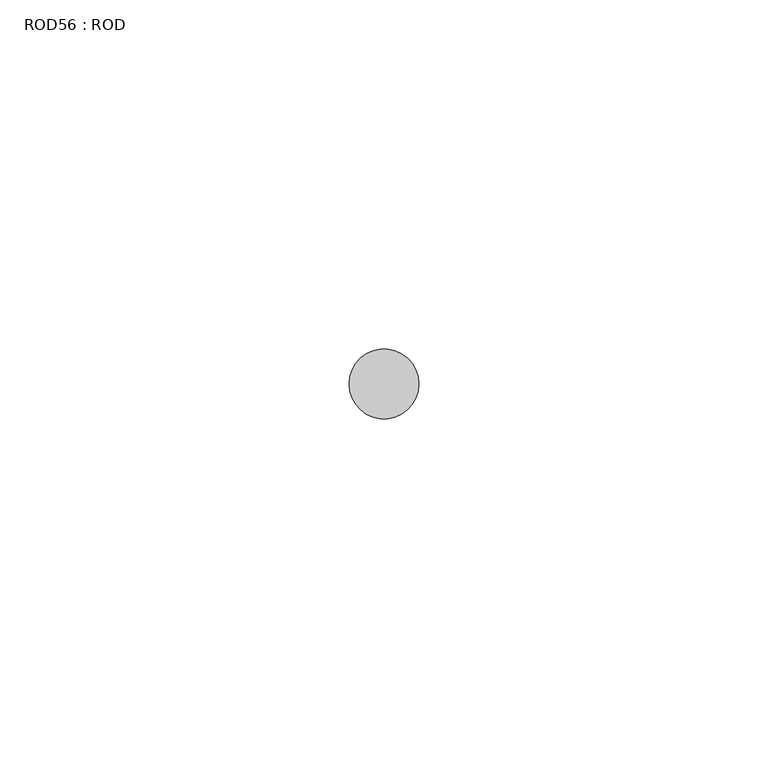
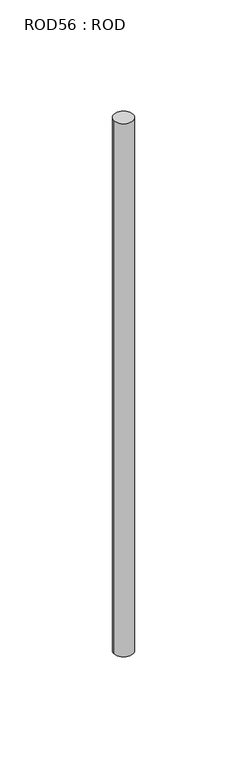
"""IFC4 building model written with IfcOpenShell, lengths in millimetres: proxy geometry, ROD56 : ROD."""

import ifcopenshell
import ifcopenshell.guid

model = None  # the IFC model being written
_history = None  # IfcOwnerHistory: only IFC2X3 demands one
_inside = {}  # id of a spatial element -> (the spatial element, [elements in it])
_under = {}  # id of a project, library or spatial element -> (it, [spatial elements below it])
_declared = {}  # id of a project -> (the project, [libraries it declares])
_typed = {}  # id of a type object -> (the type object, [elements of that type])
_made_of = {}  # id of a material, layer set ... -> (it, [elements and type objects made of it])


def new_model(schema):
    """Start an empty IFC model of exactly this schema.

    Asked for "IFC4X3", IfcOpenShell would pick the latest addendum, in which some entities
    have other attributes; the version numbers below select the first issue.
    IFC2X3 requires an IfcOwnerHistory on every rooted entity: one is made here for all.
    """
    global model, _history
    if schema == "IFC4X3":
        model = ifcopenshell.file(schema_version=(4, 3, 0, 0))
    else:
        model = ifcopenshell.file(schema=schema)
    _inside.clear()
    _under.clear()
    _declared.clear()
    _typed.clear()
    _made_of.clear()
    _history = None
    if model.schema == "IFC2X3":
        org = make("IfcOrganization", Name="unknown")
        user = make(
            "IfcPersonAndOrganization",
            ThePerson=make("IfcPerson", FamilyName="unknown"),
            TheOrganization=org,
        )
        app = make(
            "IfcApplication",
            ApplicationDeveloper=org,
            Version="unknown",
            ApplicationFullName="unknown",
            ApplicationIdentifier="unknown",
        )
        _history = make(
            "IfcOwnerHistory",
            OwningUser=user,
            OwningApplication=app,
            ChangeAction="ADDED",
            CreationDate=0,
        )
    return model


def make(cls, **values):
    """One entity of the class cls with the attributes given. An attribute that is None is left unset."""
    return model.create_entity(
        cls, **{name: value for name, value in values.items() if value is not None}
    )


def rooted(cls, **values):
    """An entity with a GlobalId (a new one), such as an element, a storey or a relation."""
    return make(cls, GlobalId=ifcopenshell.guid.new(), OwnerHistory=_history, **values)


def si_unit(unit_type, name, prefix=None):
    """IfcSIUnit, for example si_unit("LENGTHUNIT", "METRE", prefix="MILLI")."""
    return make("IfcSIUnit", UnitType=unit_type, Prefix=prefix, Name=name)


def assignment(units):
    """IfcUnitAssignment: the units of a project."""
    return None if units is None else make("IfcUnitAssignment", Units=units)


def point(xyz):
    """IfcCartesianPoint."""
    return None if xyz is None else make("IfcCartesianPoint", Coordinates=xyz)


def direction(xyz):
    """IfcDirection."""
    return None if xyz is None else make("IfcDirection", DirectionRatios=xyz)


def frame(location, z_axis=None, x_axis=None):
    """IfcAxis2Placement3D, a coordinate frame: its origin and axes. An axis left out is left unset."""
    return make(
        "IfcAxis2Placement3D",
        Location=point(location),
        Axis=direction(z_axis),
        RefDirection=direction(x_axis),
    )


def frame_2d(location, x_axis=None):
    """IfcAxis2Placement2D, a coordinate frame in the plane: its origin and x axis."""
    return make(
        "IfcAxis2Placement2D", Location=point(location), RefDirection=direction(x_axis)
    )


def origin():
    """The frame at (0, 0, 0) with its axes left unset."""
    return frame((0.0, 0.0, 0.0))


def place(relative_to, where):
    """IfcLocalPlacement: puts the frame where relative to a parent placement (None: the world)."""
    return make(
        "IfcLocalPlacement", PlacementRelTo=relative_to, RelativePlacement=where
    )


def context(
    kind, dimensions, precision=None, world=None, true_north=None, identifier=None
):
    """IfcGeometricRepresentationContext, for example the 3D "Model" context."""
    return make(
        "IfcGeometricRepresentationContext",
        ContextIdentifier=identifier,
        ContextType=kind,
        CoordinateSpaceDimension=dimensions,
        Precision=precision,
        WorldCoordinateSystem=world,
        TrueNorth=true_north,
    )


def project(units=None, contexts=None):
    """IfcProject with its units and contexts."""
    return rooted(
        "IfcProject",
        Name="project",
        RepresentationContexts=contexts,
        UnitsInContext=assignment(units),
    )


def spatial(cls, under=None, at=None, **own):
    """A site, building, storey or space (cls), placed at a placement, below another one or the project."""
    s = rooted(cls, ObjectPlacement=at, **own)
    if under is not None:
        _under.setdefault(under.id(), (under, []))[1].append(s)
    return s


def circle_curve(where, radius):
    """IfcCircle in the frame where."""
    return make("IfcCircle", Position=where, Radius=radius)


def trimmed(basis, trim1, trim2, sense, master):
    """IfcTrimmedCurve: the piece of a basis curve between two trims."""
    return make(
        "IfcTrimmedCurve",
        BasisCurve=basis,
        Trim1=trim1,
        Trim2=trim2,
        SenseAgreement=sense,
        MasterRepresentation=master,
    )


def segment(curve, same_sense, transition):
    """IfcCompositeCurveSegment."""
    return make(
        "IfcCompositeCurveSegment",
        Transition=transition,
        SameSense=same_sense,
        ParentCurve=curve,
    )


def composite_curve(segments, self_intersect=None):
    """IfcCompositeCurve: segments joined end to end."""
    return make("IfcCompositeCurve", Segments=segments, SelfIntersect=self_intersect)


def outline(outer, holes=None, kind="AREA"):
    """IfcArbitraryClosedProfileDef: a profile drawn as a closed curve; with holes, ...WithVoids."""
    if holes is None:
        return make("IfcArbitraryClosedProfileDef", ProfileType=kind, OuterCurve=outer)
    return make(
        "IfcArbitraryProfileDefWithVoids",
        ProfileType=kind,
        OuterCurve=outer,
        InnerCurves=holes,
    )


def extrude(swept, where, along, depth):
    """IfcExtrudedAreaSolid: the profile swept, set in the frame where, extruded along a direction by depth."""
    return make(
        "IfcExtrudedAreaSolid",
        SweptArea=swept,
        Position=where,
        ExtrudedDirection=direction(along),
        Depth=depth,
    )


def shape(context_of_items, identifier, shape_type, items):
    """IfcShapeRepresentation: the items that make up one representation, for example the "Body"."""
    return make(
        "IfcShapeRepresentation",
        ContextOfItems=context_of_items,
        RepresentationIdentifier=identifier,
        RepresentationType=shape_type,
        Items=items,
    )


def source(mapping_origin, context_of_items, identifier, shape_type, items):
    """IfcRepresentationMap: a shape defined once, which mapped items show again and again."""
    return make(
        "IfcRepresentationMap",
        MappingOrigin=mapping_origin,
        MappedRepresentation=shape(context_of_items, identifier, shape_type, items),
    )


def transform(
    local_origin,
    x_axis=None,
    y_axis=None,
    z_axis=None,
    scale=None,
    scale2=None,
    scale3=None,
    uniform=True,
):
    """IfcCartesianTransformationOperator3D, or its non-uniform kind. x_axis, y_axis, z_axis: its Axis1, 2, 3."""
    if uniform:
        return make(
            "IfcCartesianTransformationOperator3D",
            Axis1=direction(x_axis),
            Axis2=direction(y_axis),
            LocalOrigin=point(local_origin),
            Scale=scale,
            Axis3=direction(z_axis),
        )
    return make(
        "IfcCartesianTransformationOperator3DnonUniform",
        Axis1=direction(x_axis),
        Axis2=direction(y_axis),
        LocalOrigin=point(local_origin),
        Scale=scale,
        Axis3=direction(z_axis),
        Scale2=scale2,
        Scale3=scale3,
    )


def mapped(mapping_source, mapping_target):
    """IfcMappedItem: shows the shape of a source again, moved by a transform."""
    return make(
        "IfcMappedItem", MappingSource=mapping_source, MappingTarget=mapping_target
    )


def made_of(thing, what):
    """Note that an element or type object is made of a material, layer set ...; save() writes the relation."""
    if what is not None:
        _made_of.setdefault(what.id(), (what, []))[1].append(thing)
    return thing


def element(
    cls,
    number,
    at=None,
    inside=None,
    cuts=None,
    type_object=None,
    material=None,
    context=None,
    identifier="Body",
    shape_type=None,
    held_by="IfcProductDefinitionShape",
    body=None,
    shapes=None,
    **own,
):
    """One element of the class cls, such as IfcWall. Its Tag is "e" and its number.

    at: its placement. inside: the storey or other place that contains it. cuts: it is an
    opening in that element (IfcRelVoidsElement). A single representation is given by context,
    identifier, shape_type and body (its items); several are given by shapes. held_by: the class
    of the entity that holds the representations. save() writes the other relations.
    """
    e = rooted(cls, Tag="e%d" % number, ObjectPlacement=at, **own)
    if body is not None:
        shapes = [shape(context, identifier, shape_type, body)]
    if shapes is not None:
        e.Representation = make(held_by, Representations=shapes)
    if inside is not None:
        _inside.setdefault(inside.id(), (inside, []))[1].append(e)
    if cuts is not None:
        rooted(
            "IfcRelVoidsElement", RelatingBuildingElement=cuts, RelatedOpeningElement=e
        )
    if type_object is not None:
        _typed.setdefault(type_object.id(), (type_object, []))[1].append(e)
    return made_of(e, material)


def aggregate(whole, parts):
    """IfcRelAggregates: a whole, such as a stair, and the parts it consists of."""
    return rooted("IfcRelAggregates", RelatingObject=whole, RelatedObjects=parts)


def save(model, path):
    """Write the relations noted so far, then the file.

    IfcRelAggregates (storeys below a building ...), IfcRelContainedInSpatialStructure (elements
    in a storey), IfcRelDefinesByType, IfcRelAssociatesMaterial and IfcRelDeclares: one each for
    every whole, place, type object, material and project.
    """
    for whole, parts in _under.values():
        aggregate(whole, parts)
    for where, things in _inside.values():
        rooted(
            "IfcRelContainedInSpatialStructure",
            RelatedElements=things,
            RelatingStructure=where,
        )
    for kind, things in _typed.values():
        rooted("IfcRelDefinesByType", RelatedObjects=things, RelatingType=kind)
    for what, things in _made_of.values():
        rooted("IfcRelAssociatesMaterial", RelatedObjects=things, RelatingMaterial=what)
    for by, libraries in _declared.values():
        rooted("IfcRelDeclares", RelatingContext=by, RelatedDefinitions=libraries)
    model.write(path)


def rod56_rod_bf9b4ac2(model_context):
    return source(origin(), model_context, "Body", "SweptSolid", [
        extrude(outline(composite_curve([segment(trimmed(circle_curve(frame_2d((7192.7784384, -1114.6300853)), 5.0), [point((7187.7784384, -1114.6300853))], [point((7197.7784384, -1114.6300853))], False, "CARTESIAN"), True, "CONTINUOUS"), segment(trimmed(circle_curve(frame_2d((7192.7784384, -1114.6300853)), 5.0), [point((7197.7784384, -1114.6300853))], [point((7187.7784384, -1114.6300853))], False, "CARTESIAN"), True, "CONTINUOUS")], self_intersect=False)), frame((0.0, 0.0, -208.6608845), z_axis=(0.0, 0.0, 1.0), x_axis=(1.0, 0.0, 0.0)), (0.0, 0.0, 1.0), 298.9028972),
    ])


if __name__ == "__main__":
    model = new_model("IFC4")
    model_context = context("Model", 3, world=origin())
    ifc_project = project(units=[si_unit("LENGTHUNIT", "METRE", prefix="MILLI")], contexts=[model_context])
    site = spatial("IfcSite", under=ifc_project)
    building = spatial("IfcBuilding", under=site)
    placement = place(None, origin())
    rod56_rod_shape = rod56_rod_bf9b4ac2(model_context)
    element("IfcBuildingElementProxy", 1, Name="ROD56 : ROD", ObjectType="ROD56 : ROD", at=placement, inside=building, context=model_context, shape_type="MappedRepresentation", body=[
        mapped(rod56_rod_shape, transform((0.0, 0.0, 0.0), x_axis=(1.0, 0.0, 0.0), y_axis=(0.0, 1.0, 0.0), z_axis=(0.0, 0.0, 1.0))),
    ])
    save(model, "model.ifc")
